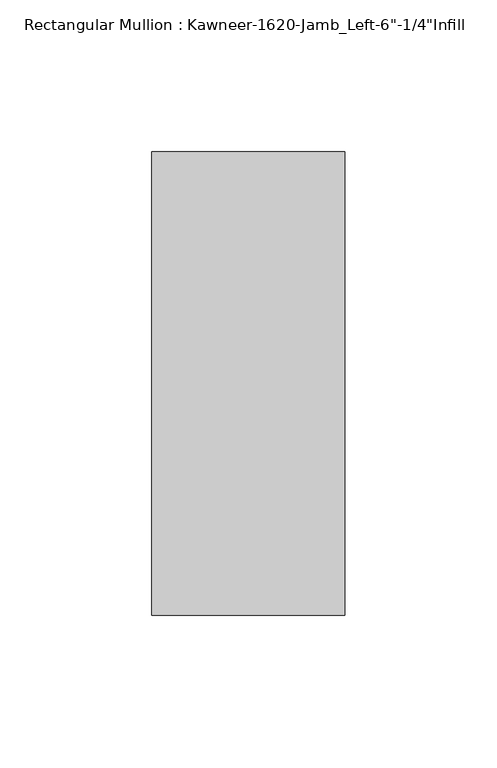
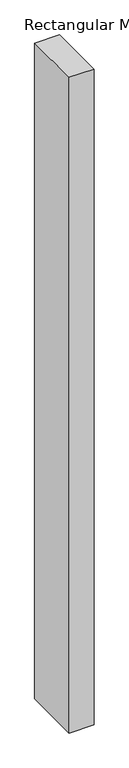
"""IFC4 building model written with IfcOpenShell, lengths in millimetres: member geometry."""

from ifc_helpers import new_model, si_unit, frame, origin, place, context, project, spatial, polyline, outline, extrude, source, transform, mapped, element, save


def member_7e5f7e0a(model_context):
    return source(origin(), model_context, "Body", "SweptSolid", [
        extrude(outline(polyline([(22.225, -28.575), (-41.275, -28.575), (-41.275, 123.825), (22.225, 123.825), (22.225, -28.575)])), frame((0.0, 0.0, -1765.3), z_axis=(0.0, 0.0, 1.0), x_axis=(1.0, 0.0, 0.0)), (0.0, 0.0, 1.0), 1765.3),
    ])


if __name__ == "__main__":
    model = new_model("IFC4")
    model_context = context("Model", 3, world=origin())
    ifc_project = project(units=[si_unit("LENGTHUNIT", "METRE", prefix="MILLI")], contexts=[model_context])
    site = spatial("IfcSite", under=ifc_project)
    building = spatial("IfcBuilding", under=site)
    placement = place(None, origin())
    member_shape = member_7e5f7e0a(model_context)
    element("IfcMember", 1, ObjectType="Rectangular Mullion : Kawneer-1620-Jamb_Left-6\"-1/4\"Infill", at=placement, inside=building, context=model_context, shape_type="MappedRepresentation", body=[
        mapped(member_shape, transform((0.0, 0.0, 0.0), x_axis=(1.0, 0.0, 0.0), y_axis=(0.0, 1.0, 0.0), z_axis=(0.0, 0.0, 1.0))),
    ])
    save(model, "model.ifc")
